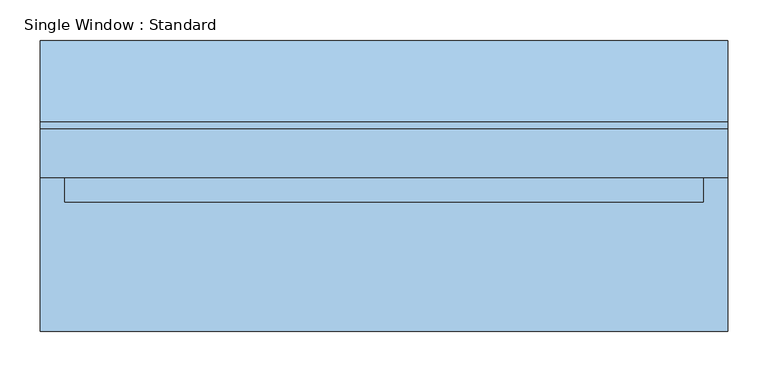
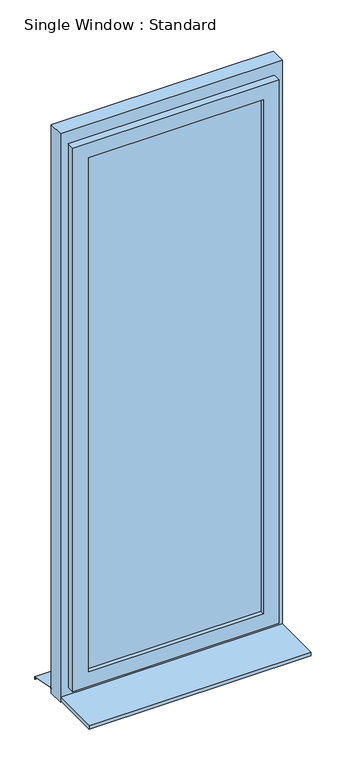
"""IFC4 building model written with IfcOpenShell, lengths in millimetres: window geometry, Single Window : Standard."""

from ifc_helpers import new_model, si_unit, frame, origin, place, context, project, spatial, polyline, outline, extrude, faceted_brep, source, transform, mapped, element, save


def single_window_standard_b6a3fb57(model_context):
    return source(origin(), model_context, "Body", "SolidModel", [
        extrude(outline(polyline([(335.0, -5.0), (-335.0, -5.0), (-335.0, 25.0), (335.0, 25.0), (335.0, -5.0)])), frame((0.0, 0.0, 1110.0), z_axis=(0.0, 0.0, 1.0), x_axis=(1.0, 0.0, 0.0)), (0.0, 0.0, 1.0), 2080.0),
        faceted_brep([(395.0, 10.0, 3250.0), (395.0, -20.0, 3250.0), (395.0, -20.0, 1050.0), (395.0, 10.0, 1050.0), (365.0, 40.0, 3220.0), (365.0, 10.0, 3220.0), (365.0, 10.0, 1080.0), (365.0, 40.0, 1080.0), (335.0, -20.0, 3190.0), (335.0, 40.0, 3190.0), (335.0, 40.0, 1110.0), (335.0, -20.0, 1110.0), (-395.0, -20.0, 1050.0), (-395.0, 10.0, 1050.0), (-365.0, 10.0, 1080.0), (-365.0, 40.0, 1080.0), (-335.0, 40.0, 1110.0), (-335.0, -20.0, 1110.0), (-395.0, -20.0, 3250.0), (-395.0, 10.0, 3250.0), (-365.0, 10.0, 3220.0), (-365.0, 40.0, 3220.0), (-335.0, 40.0, 3190.0), (-335.0, -20.0, 3190.0)], [[[0, 1, 2, 3]], [[4, 5, 6, 7]], [[8, 9, 10, 11]], [[3, 2, 12, 13]], [[7, 6, 14, 15]], [[11, 10, 16, 17]], [[13, 12, 18, 19]], [[15, 14, 20, 21]], [[17, 16, 22, 23]], [[19, 18, 1, 0]], [[3, 13, 19, 0], [5, 20, 14, 6]], [[21, 20, 5, 4]], [[7, 15, 21, 4], [9, 22, 16, 10]], [[23, 22, 9, 8]], [[1, 18, 12, 2], [11, 17, 23, 8]]]),
        extrude(outline(polyline([(3300.0, 425.0), (3300.0, -425.0), (1000.0, -425.0), (1000.0, 425.0), (3300.0, 425.0)]), holes=[polyline([(3220.0, 365.0), (1080.0, 365.0), (1080.0, -365.0), (3220.0, -365.0), (3220.0, 365.0)])]), frame((0.0, 10.0, 0.0), z_axis=(0.0, 1.0, 0.0), x_axis=(0.0, 0.0, 1.0)), (0.0, 0.0, 1.0), 60.0),
        extrude(outline(polyline([(80.0221543, 1020.0), (180.0, 1000.0), (180.0, 990.0), (178.0, 990.0), (178.0, 998.3604634), (79.8240723, 1018.0), (70.0, 1018.0), (70.0, 1020.0), (80.0221543, 1020.0)])), frame((-425.0, 0.0, 0.0), z_axis=(1.0, 0.0, 0.0), x_axis=(0.0, 1.0, 0.0)), (0.0, 0.0, 1.0), 850.0),
        extrude(outline(polyline([(-425.0, -180.0), (-425.0, 10.0), (425.0, 10.0), (425.0, -180.0), (-425.0, -180.0)])), frame((0.0, 0.0, 1005.0), z_axis=(0.0, 0.0, 1.0), x_axis=(1.0, 0.0, 0.0)), (0.0, 0.0, 1.0), 15.0),
    ])


if __name__ == "__main__":
    model = new_model("IFC4")
    model_context = context("Model", 3, world=origin())
    ifc_project = project(units=[si_unit("LENGTHUNIT", "METRE", prefix="MILLI")], contexts=[model_context])
    site = spatial("IfcSite", under=ifc_project)
    building = spatial("IfcBuilding", under=site)
    placement = place(None, origin())
    single_window_standard_shape = single_window_standard_b6a3fb57(model_context)
    element("IfcWindow", 1, ObjectType="Single Window : Standard", at=placement, inside=building, context=model_context, shape_type="MappedRepresentation", body=[
        mapped(single_window_standard_shape, transform((0.0, 0.0, 0.0), x_axis=(1.0, 0.0, 0.0), y_axis=(0.0, 1.0, 0.0), z_axis=(0.0, 0.0, 1.0))),
    ])
    save(model, "model.ifc")
